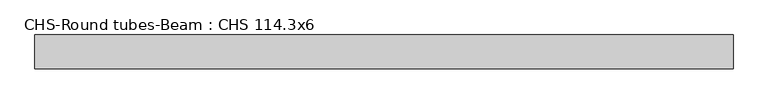
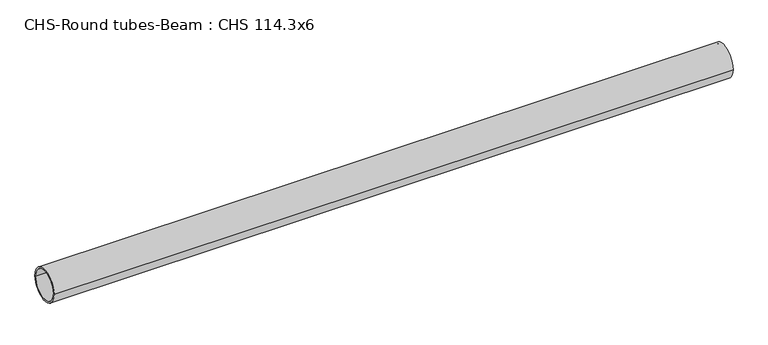
"""IFC4 building model written with IfcOpenShell, lengths in millimetres: beam geometry, CHS-Round tubes-Beam : CHS 114.3x6."""

from ifc_helpers import new_model, si_unit, point, frame, origin, origin_2d, place, context, project, spatial, circle_curve, trimmed, segment, composite_curve, outline, extrude, source, transform, mapped, element, save


def chs_round_tubes_beam_chs_114_3x6_c1593864(model_context):
    return source(origin(), model_context, "Body", "SweptSolid", [
        extrude(outline(composite_curve([segment(trimmed(circle_curve(origin_2d(), 57.15), [point((57.15, 0.0))], [point((-57.15, 0.0))], False, "CARTESIAN"), True, "CONTINUOUS"), segment(trimmed(circle_curve(origin_2d(), 57.15), [point((-57.15, 0.0))], [point((57.15, 0.0))], False, "CARTESIAN"), True, "CONTINUOUS")], self_intersect=False), holes=[composite_curve([segment(trimmed(circle_curve(origin_2d(), 51.15), [point((51.15, 0.0))], [point((-51.15, 0.0))], True, "CARTESIAN"), True, "CONTINUOUS"), segment(trimmed(circle_curve(origin_2d(), 51.15), [point((-51.15, 0.0))], [point((51.15, 0.0))], True, "CARTESIAN"), True, "CONTINUOUS")], self_intersect=False)]), frame((-1127.1749126, 0.0, 0.0), z_axis=(1.0, 0.0, 0.0), x_axis=(0.0, 1.0, 0.0)), (0.0, 0.0, 1.0), 2345.6459144),
    ])


if __name__ == "__main__":
    model = new_model("IFC4")
    model_context = context("Model", 3, world=origin())
    ifc_project = project(units=[si_unit("LENGTHUNIT", "METRE", prefix="MILLI")], contexts=[model_context])
    site = spatial("IfcSite", under=ifc_project)
    building = spatial("IfcBuilding", under=site)
    placement = place(None, origin())
    chs_round_tubes_beam_chs_114_3x6_shape = chs_round_tubes_beam_chs_114_3x6_c1593864(model_context)
    element("IfcBeam", 1, ObjectType="CHS-Round tubes-Beam : CHS 114.3x6", at=placement, inside=building, context=model_context, shape_type="MappedRepresentation", body=[
        mapped(chs_round_tubes_beam_chs_114_3x6_shape, transform((0.0, 0.0, 0.0), x_axis=(1.0, 0.0, 0.0), y_axis=(0.0, 1.0, 0.0), z_axis=(0.0, 0.0, 1.0))),
    ])
    save(model, "model.ifc")
